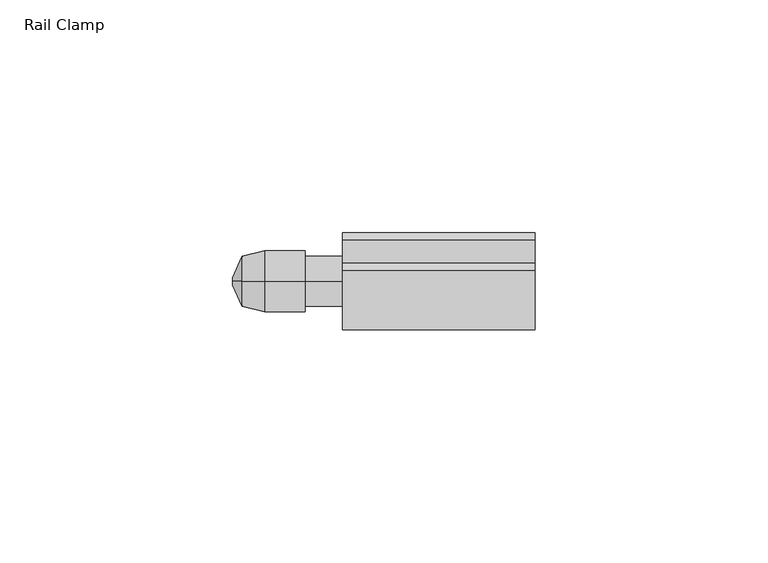
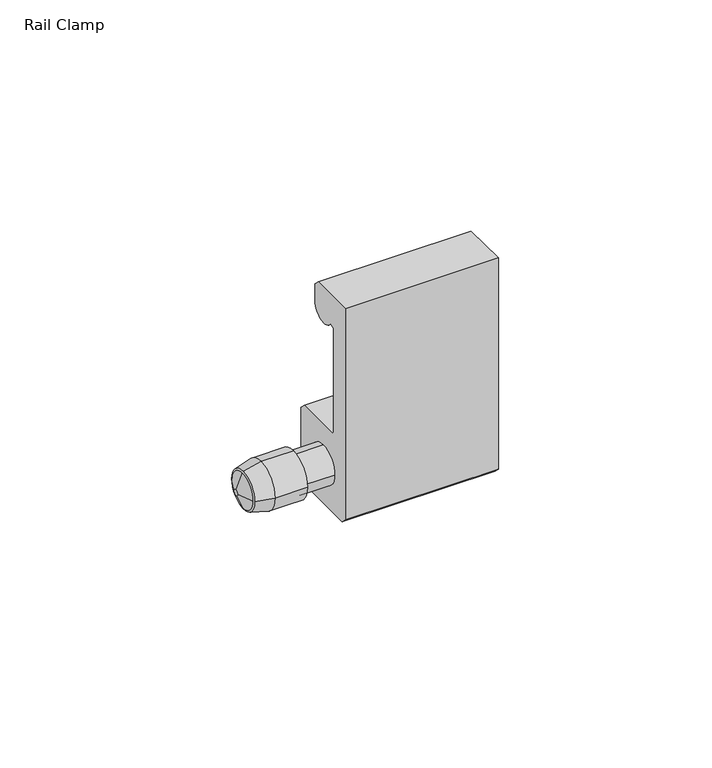
"""IFC4 building model written with IfcOpenShell, lengths in millimetres: furniture geometry, Rail Clamp."""

from ifc_helpers import new_model, si_unit, frame, origin, place, context, project, spatial, polyline, circle_curve, source, transform, mapped, element, save
from ifc_brep_helpers import plane_surface, cylinder_surface, revolved_surface, advanced_brep


def rail_clamp_283ba284(model_context):
    return source(origin(), model_context, "Body", "AdvancedBrep", [
        advanced_brep(
        [(-42.2627645, -46.5617724, 1381.2943035), (-42.2627645, -41.2023724, 1386.6537035), (-42.2627645, -35.8429724, 1381.2943035), (-42.2627645, -41.2023724, 1375.9349035), (-37.4502448, -47.7301724, 1381.2943035), (-37.4502448, -41.2023724, 1374.7665035), (-37.4502448, -34.6745724, 1381.2943035), (-37.4502448, -41.2023724, 1387.8221035)],
        [
            (0, 1, circle_curve(frame((-42.2627645, -41.2023724, 1381.2943035), z_axis=(-1.0, 0.0, 3.2626512704196186e-12), x_axis=(0.0, -1.0, 7.1826602636639224e-12)), 5.3594)),
            (1, 2, circle_curve(frame((-42.2627645, -41.2023724, 1381.2943035), z_axis=(-1.0, -3.187061828270888e-12, 0.0), x_axis=(0.0, -7.421599566788822e-12, 1.0)), 5.3594)),
            (2, 3, circle_curve(frame((-42.2627645, -41.2023724, 1381.2943035), z_axis=(-1.0, 0.0, 1.8000834595418585e-12), x_axis=(0.0, 1.0, 7.414358981843193e-12)), 5.3594)),
            (3, 0, circle_curve(frame((-42.2627645, -41.2023724, 1381.2943035), z_axis=(-1.0, -1.7684413674795993e-12, 0.0), x_axis=(0.0, -7.312990792622295e-12, -1.0)), 5.3594)),
            (4, 5, circle_curve(frame((-37.4502448, -41.2023724, 1381.2943035), z_axis=(1.0, 1.7684413674795993e-12, 0.0), x_axis=(0.0, -7.312990792622295e-12, -1.0)), 6.5278)),
            (5, 6, circle_curve(frame((-37.4502448, -41.2023724, 1381.2943035), z_axis=(1.0, 0.0, -1.8000834595418585e-12), x_axis=(0.0, 1.0, 7.414358981843193e-12)), 6.5278)),
            (6, 7, circle_curve(frame((-37.4502448, -41.2023724, 1381.2943035), z_axis=(1.0, 3.187061828270888e-12, 0.0), x_axis=(0.0, -7.421599566788822e-12, 1.0)), 6.5278)),
            (7, 4, circle_curve(frame((-37.4502448, -41.2023724, 1381.2943035), z_axis=(1.0, 0.0, -3.2626512704196186e-12), x_axis=(0.0, -1.0, 7.1826602636639224e-12)), 6.5278)),
            (4, 0),
            (3, 5),
            (2, 6),
            (1, 7),
        ],
        [
            plane_surface(frame((-42.2627645, -41.2023724, 1381.2943035), z_axis=(-1.0, 0.0, 0.0), x_axis=(0.0, 0.0, -1.0))),
            plane_surface(frame((-37.4502448, -41.2023724, 1381.2943035), z_axis=(1.0, 0.0, 0.0), x_axis=(0.0, 0.0, -1.0))),
            revolved_surface(polyline([(-42.26276450000948, -41.2023724, 1375.9349035097325), (-37.4502448, -41.2023724, 1374.7665035)]), (-64.3375829, -41.2023724, 1381.2943035), (1.0, 1.7684413674795993e-12, 0.0)),
            revolved_surface(polyline([(-42.2627645, -35.84297240973024, 1381.2943035), (-37.450244799988255, -34.674572399997146, 1381.2943035)]), (-64.3375829, -41.2023724, 1381.2943035), (1.0, 0.0, -1.8000834595418585e-12)),
            revolved_surface(polyline([(-42.2627645, -41.2023724, 1386.6537034902697), (-37.450244799979195, -41.2023724, 1387.822103500005)]), (-64.3375829, -41.2023724, 1381.2943035), (1.0, 3.187061828270888e-12, 0.0)),
            revolved_surface(polyline([(-42.26276450001749, -46.561772390265524, 1381.2943035), (-37.4502448, -47.7301724, 1381.2943035)]), (-64.3375829, -41.2023724, 1381.2943035), (1.0, 0.0, -3.2626512704196186e-12)),
        ],
        [
            (0, [[1, 2, 3, 4]]),
            (1, [[5, 6, 7, 8]]),
            (2, [[-5, 9, -4, 10]]),
            (3, [[-6, -10, -3, 11]]),
            (4, [[-7, -11, -2, 12]]),
            (5, [[-8, -12, -1, -9]]),
        ],
    ),
        advanced_brep(
        [(-20.6375, -30.8010724, 1371.5999982), (-20.6375, -32.3758712, 1370.0252), (-20.6375, -50.0288731, 1370.0252), (-20.6375, -51.6036724, 1371.5999982), (-20.6375, -51.6036724, 1431.8742), (-20.6375, -38.9100224, 1431.8742), (-20.6375, -37.3352224, 1430.2993995), (-20.6375, -37.3352224, 1425.5496001), (-20.6375, -44.603154, 1423.3646341), (-20.6375, -46.0474222, 1422.9304422), (-20.6375, -46.0474222, 1393.1960319), (-20.6375, -45.4521097, 1392.6007194), (-20.6375, -32.3758724, 1392.6007194), (-20.6375, -30.8010724, 1391.02592), (-20.6375, -46.5617724, 1381.2943035), (-20.6375, -41.2023724, 1375.9349035), (-20.6375, -35.8429724, 1381.2943035), (-20.6375, -41.2023724, 1386.6537035), (20.6375, -30.8010724, 1371.5999982), (20.6375, -30.8010724, 1391.02592), (20.6375, -32.3758724, 1392.6007194), (20.6375, -45.4521097, 1392.6007194), (20.6375, -46.0474222, 1393.1960319), (20.6375, -46.0474222, 1422.9304422), (20.6375, -44.603154, 1423.3646341), (20.6375, -37.3352224, 1425.5496001), (20.6375, -37.3352224, 1430.2993995), (20.6375, -38.9100224, 1431.8742), (20.6375, -51.6036724, 1431.8742), (20.6375, -51.6036724, 1371.5999982), (20.6375, -50.0288731, 1370.0252), (20.6375, -32.3758712, 1370.0252), (-28.6997615, -46.5617724, 1381.2943035), (-28.6997615, -41.2023724, 1375.9349035), (-28.6997615, -35.8429724, 1381.2943035), (-28.6997615, -41.2023724, 1386.6537035), (-28.6997615, -47.7301724, 1381.2943035), (-28.6997615, -41.2023724, 1374.7665035), (-28.6997615, -34.6745724, 1381.2943035), (-28.6997615, -41.2023724, 1387.8221035), (-37.4502448, -47.7301724, 1381.2943035), (-37.4502448, -41.2023724, 1387.8221035), (-37.4502448, -34.6745724, 1381.2943035), (-37.4502448, -41.2023724, 1374.7665035)],
        [
            (0, 1),
            (1, 2),
            (2, 3),
            (3, 4),
            (4, 5),
            (5, 6),
            (6, 7),
            (7, 8, circle_curve(frame((-20.6375, -41.2976225, 1425.5496001), z_axis=(-1.0, 0.0, 0.0), x_axis=(0.0, 1.0, 0.0)), 3.9624001)),
            (8, 9),
            (9, 10),
            (10, 11),
            (11, 12),
            (12, 13),
            (13, 0),
            (14, 15, circle_curve(frame((-20.6375, -41.2023724, 1381.2943035), z_axis=(1.0, 0.0, 0.0), x_axis=(0.0, 1.0, 0.0)), 5.3594)),
            (15, 16, circle_curve(frame((-20.6375, -41.2023724, 1381.2943035), z_axis=(1.0, 0.0, 0.0), x_axis=(0.0, 1.0, 0.0)), 5.3594)),
            (16, 17, circle_curve(frame((-20.6375, -41.2023724, 1381.2943035), z_axis=(1.0, 0.0, 0.0), x_axis=(0.0, 1.0, 0.0)), 5.3594)),
            (17, 14, circle_curve(frame((-20.6375, -41.2023724, 1381.2943035), z_axis=(1.0, 0.0, 0.0), x_axis=(0.0, 1.0, 0.0)), 5.3594)),
            (18, 19),
            (19, 20),
            (20, 21),
            (21, 22),
            (22, 23),
            (23, 24),
            (24, 25, circle_curve(frame((20.6375, -41.2976225, 1425.5496001), z_axis=(1.0, 0.0, 0.0), x_axis=(0.0, 1.0, 0.0)), 3.9624001)),
            (25, 26),
            (26, 27),
            (27, 28),
            (28, 29),
            (29, 30),
            (30, 31),
            (31, 18),
            (0, 18),
            (31, 1),
            (30, 2),
            (29, 3),
            (28, 4),
            (27, 5),
            (26, 6),
            (25, 7),
            (24, 8),
            (23, 9),
            (22, 10),
            (21, 11),
            (20, 12),
            (19, 13),
            (14, 32),
            (32, 33, circle_curve(frame((-28.6997615, -41.2023724, 1381.2943035), z_axis=(1.0, 0.0, 0.0), x_axis=(0.0, 1.0, 0.0)), 5.3594)),
            (33, 15),
            (33, 34, circle_curve(frame((-28.6997615, -41.2023724, 1381.2943035), z_axis=(1.0, 0.0, 0.0), x_axis=(0.0, 1.0, 0.0)), 5.3594)),
            (34, 16),
            (34, 35, circle_curve(frame((-28.6997615, -41.2023724, 1381.2943035), z_axis=(1.0, 0.0, 0.0), x_axis=(0.0, 1.0, 0.0)), 5.3594)),
            (35, 17),
            (35, 32, circle_curve(frame((-28.6997615, -41.2023724, 1381.2943035), z_axis=(1.0, 0.0, 0.0), x_axis=(0.0, 1.0, 0.0)), 5.3594)),
            (36, 37, circle_curve(frame((-28.6997615, -41.2023724, 1381.2943035), z_axis=(1.0, 0.0, 0.0), x_axis=(0.0, 1.0, 0.0)), 6.5278)),
            (37, 38, circle_curve(frame((-28.6997615, -41.2023724, 1381.2943035), z_axis=(1.0, 0.0, 0.0), x_axis=(0.0, 1.0, 0.0)), 6.5278)),
            (38, 39, circle_curve(frame((-28.6997615, -41.2023724, 1381.2943035), z_axis=(1.0, 0.0, 0.0), x_axis=(0.0, 1.0, 0.0)), 6.5278)),
            (39, 36, circle_curve(frame((-28.6997615, -41.2023724, 1381.2943035), z_axis=(1.0, 0.0, 0.0), x_axis=(0.0, 1.0, 0.0)), 6.5278)),
            (40, 41, circle_curve(frame((-37.4502448, -41.2023724, 1381.2943035), z_axis=(-1.0, 0.0, 0.0), x_axis=(0.0, 1.0, 0.0)), 6.5278)),
            (41, 42, circle_curve(frame((-37.4502448, -41.2023724, 1381.2943035), z_axis=(-1.0, 0.0, 0.0), x_axis=(0.0, 1.0, 0.0)), 6.5278)),
            (42, 43, circle_curve(frame((-37.4502448, -41.2023724, 1381.2943035), z_axis=(-1.0, 0.0, 0.0), x_axis=(0.0, 1.0, 0.0)), 6.5278)),
            (43, 40, circle_curve(frame((-37.4502448, -41.2023724, 1381.2943035), z_axis=(-1.0, 0.0, 0.0), x_axis=(0.0, 1.0, 0.0)), 6.5278)),
            (36, 40),
            (43, 37),
            (42, 38),
            (41, 39),
        ],
        [
            plane_surface(frame((-20.6375, -41.2023724, 1431.8742), z_axis=(-1.0, 0.0, 0.0), x_axis=(0.0, 0.0, 1.0))),
            plane_surface(frame((20.6375, -41.2023724, 1431.8742), z_axis=(1.0, 0.0, 0.0), x_axis=(0.0, 0.0, 1.0))),
            plane_surface(frame((-20.6375, -30.8010724, 1371.5999982), z_axis=(0.0, 0.7071066537262837, -0.7071069086467884), x_axis=(1.0, 0.0, 0.0))),
            plane_surface(frame((-20.6375, -32.3758712, 1370.0252), z_axis=(0.0, 0.0, -1.0), x_axis=(1.0, 0.0, 0.0))),
            plane_surface(frame((-20.6375, -50.0288731, 1370.0252), z_axis=(0.0, -0.7071065262660429, -0.7071070361069604), x_axis=(1.0, 0.0, 0.0))),
            plane_surface(frame((-20.6375, -51.6036724, 1371.5999982), z_axis=(0.0, -1.0, 0.0), x_axis=(1.0, 0.0, 0.0))),
            plane_surface(frame((-20.6375, -51.6036724, 1431.8742), z_axis=(0.0, 0.0, 1.0), x_axis=(1.0, 0.0, 0.0))),
            plane_surface(frame((-20.6375, -38.9100224, 1431.8742), z_axis=(0.0, 0.7071069046636025, 0.707106657709471), x_axis=(1.0, 0.0, 0.0))),
            plane_surface(frame((-20.6375, -37.3352224, 1430.2993995), z_axis=(0.0, 1.0, 0.0), x_axis=(1.0, 0.0, 0.0))),
            cylinder_surface(frame((-20.6375, -41.2976225, 1425.5496001), z_axis=(-1.0, 0.0, 0.0), x_axis=(0.0, 1.0, 0.0)), 3.9624001),
            plane_surface(frame((-20.6375, -44.603154, 1423.3646341), z_axis=(0.0, 0.2879022867565173, -0.9576597899464967), x_axis=(1.0, 0.0, 0.0))),
            plane_surface(frame((-20.6375, -46.0474222, 1422.9304422), z_axis=(0.0, 1.0, 0.0), x_axis=(1.0, 0.0, 0.0))),
            plane_surface(frame((-20.6375, -46.0474222, 1393.1960319), z_axis=(0.0, 0.7071067811865476, 0.7071067811865476), x_axis=(1.0, 0.0, 0.0))),
            plane_surface(frame((-20.6375, -45.4521097, 1392.6007194), z_axis=(0.0, 0.0, 1.0), x_axis=(1.0, 0.0, 0.0))),
            plane_surface(frame((-20.6375, -32.3758724, 1392.6007194), z_axis=(0.0, 0.7071066537262837, 0.7071069086467885), x_axis=(1.0, 0.0, 0.0))),
            plane_surface(frame((-20.6375, -30.8010724, 1391.02592), z_axis=(0.0, 1.0, 0.0), x_axis=(1.0, 0.0, 0.0))),
            cylinder_surface(frame((-28.6997615, -41.2023724, 1381.2943035), z_axis=(1.0, 0.0, 0.0), x_axis=(0.0, 1.0, 0.0)), 5.3594),
            plane_surface(frame((-28.6997615, -34.6745724, 1381.2943035), z_axis=(1.0, 0.0, 0.0), x_axis=(0.0, 0.0, 1.0))),
            plane_surface(frame((-37.4502448, -34.6745724, 1381.2943035), z_axis=(-1.0, 0.0, 0.0), x_axis=(0.0, 0.0, -1.0))),
            cylinder_surface(frame((-37.4502448, -41.2023724, 1381.2943035), z_axis=(1.0, 0.0, 0.0), x_axis=(0.0, 1.0, 0.0)), 6.5278),
        ],
        [
            (0, [[1, 2, 3, 4, 5, 6, 7, 8, 9, 10, 11, 12, 13, 14], [15, 16, 17, 18]]),
            (1, [[19, 20, 21, 22, 23, 24, 25, 26, 27, 28, 29, 30, 31, 32]]),
            (2, [[-1, 33, -32, 34]]),
            (3, [[-2, -34, -31, 35]]),
            (4, [[-3, -35, -30, 36]]),
            (5, [[-4, -36, -29, 37]]),
            (6, [[-5, -37, -28, 38]]),
            (7, [[-6, -38, -27, 39]]),
            (8, [[-7, -39, -26, 40]]),
            (9, [[-8, -40, -25, 41]]),
            (10, [[-9, -41, -24, 42]]),
            (11, [[-10, -42, -23, 43]]),
            (12, [[-11, -43, -22, 44]]),
            (13, [[-12, -44, -21, 45]]),
            (14, [[-13, -45, -20, 46]]),
            (15, [[-14, -46, -19, -33]]),
            (16, [[47, 48, 49, -15]]),
            (16, [[-49, 50, 51, -16]]),
            (16, [[-51, 52, 53, -17]]),
            (16, [[-47, -18, -53, 54]]),
            (17, [[55, 56, 57, 58], [-48, -54, -52, -50]]),
            (18, [[59, 60, 61, 62]]),
            (19, [[-55, 63, -62, 64]]),
            (19, [[-56, -64, -61, 65]]),
            (19, [[-57, -65, -60, 66]]),
            (19, [[-58, -66, -59, -63]]),
        ],
    ),
        advanced_brep(
        [(-44.2561748, -41.9961224, 1381.2943035), (-44.2561748, -41.2023724, 1382.0880535), (-44.2561748, -40.4086224, 1381.2943035), (-44.2561748, -41.2023724, 1380.5005535), (-42.2627645, -46.5617724, 1381.2943035), (-42.2627645, -41.2023724, 1375.9349035), (-42.2627645, -35.8429724, 1381.2943035), (-42.2627645, -41.2023724, 1386.6537035)],
        [
            (0, 1, circle_curve(frame((-44.2561748, -41.2023724, 1381.2943035), z_axis=(-1.0, 0.0, 0.0), x_axis=(0.0, -1.0, 0.0)), 0.79375)),
            (1, 2, circle_curve(frame((-44.2561748, -41.2023724, 1381.2943035), z_axis=(-1.0, 0.0, 0.0), x_axis=(0.0, 0.0, 1.0)), 0.79375)),
            (2, 3, circle_curve(frame((-44.2561748, -41.2023724, 1381.2943035), z_axis=(-1.0, 0.0, 4.209981380639452e-12), x_axis=(0.0, 1.0, 1.8381216808259094e-12)), 0.79375)),
            (3, 0, circle_curve(frame((-44.2561748, -41.2023724, 1381.2943035), z_axis=(-1.0, -4.2184692463262254e-12, 0.0), x_axis=(0.0, -1.8362687355840307e-12, -1.0)), 0.79375)),
            (4, 5, circle_curve(frame((-42.2627645, -41.2023724, 1381.2943035), z_axis=(1.0, 4.2184692463262254e-12, 0.0), x_axis=(0.0, -1.8362687355840307e-12, -1.0)), 5.3594)),
            (5, 6, circle_curve(frame((-42.2627645, -41.2023724, 1381.2943035), z_axis=(1.0, 0.0, -4.209981380639452e-12), x_axis=(0.0, 1.0, 1.8381216808259094e-12)), 5.3594)),
            (6, 7, circle_curve(frame((-42.2627645, -41.2023724, 1381.2943035), z_axis=(1.0, 0.0, 0.0), x_axis=(0.0, 0.0, 1.0)), 5.3594)),
            (7, 4, circle_curve(frame((-42.2627645, -41.2023724, 1381.2943035), z_axis=(1.0, 0.0, 0.0), x_axis=(0.0, -1.0, 0.0)), 5.3594)),
            (0, 4),
            (7, 1),
            (6, 2),
            (5, 3),
        ],
        [
            plane_surface(frame((-44.2561748, -41.2023724, 1381.2943035), z_axis=(-1.0, 0.0, 0.0), x_axis=(0.0, -1.0, 0.0))),
            plane_surface(frame((-42.2627645, -41.2023724, 1381.2943035), z_axis=(1.0, 0.0, 0.0), x_axis=(0.0, -1.0, 0.0))),
            revolved_surface(polyline([(-44.2561748, -41.99612238100404, 1381.2943035), (-42.2627645, -46.5617724, 1381.2943035)]), (-44.6027343, -41.2023724, 1381.2943035), (1.0, 0.0, 0.0)),
            revolved_surface(polyline([(-44.2561748, -41.2023724, 1382.0880534810042), (-42.2627645, -41.2023724, 1386.6537035)]), (-44.6027343, -41.2023724, 1381.2943035), (1.0, 0.0, 0.0)),
            revolved_surface(polyline([(-44.2561748, -40.40862241899596, 1381.2943035), (-42.26276449997744, -35.84297239994832, 1381.2943035)]), (-44.6027343, -41.2023724, 1381.2943035), (1.0, 0.0, -4.209981380639452e-12)),
            revolved_surface(polyline([(-44.25617480000334, -41.2023724, 1380.5005535190037), (-42.2627645, -41.2023724, 1375.9349035)]), (-44.6027343, -41.2023724, 1381.2943035), (1.0, 4.2184692463262254e-12, 0.0)),
        ],
        [
            (0, [[1, 2, 3, 4]]),
            (1, [[5, 6, 7, 8]]),
            (2, [[-1, 9, -8, 10]]),
            (3, [[-2, -10, -7, 11]]),
            (4, [[-3, -11, -6, 12]]),
            (5, [[-4, -12, -5, -9]]),
        ],
    ),
    ])


if __name__ == "__main__":
    model = new_model("IFC4")
    model_context = context("Model", 3, world=origin())
    ifc_project = project(units=[si_unit("LENGTHUNIT", "METRE", prefix="MILLI")], contexts=[model_context])
    site = spatial("IfcSite", under=ifc_project)
    building = spatial("IfcBuilding", under=site)
    placement = place(None, origin())
    rail_clamp_shape = rail_clamp_283ba284(model_context)
    element("IfcFurniture", 1, ObjectType="Rail Clamp", at=placement, inside=building, context=model_context, shape_type="MappedRepresentation", body=[
        mapped(rail_clamp_shape, transform((0.0, 0.0, 0.0), x_axis=(1.0, 0.0, 0.0), y_axis=(0.0, 1.0, 0.0), z_axis=(0.0, 0.0, 1.0))),
    ])
    save(model, "model.ifc")
